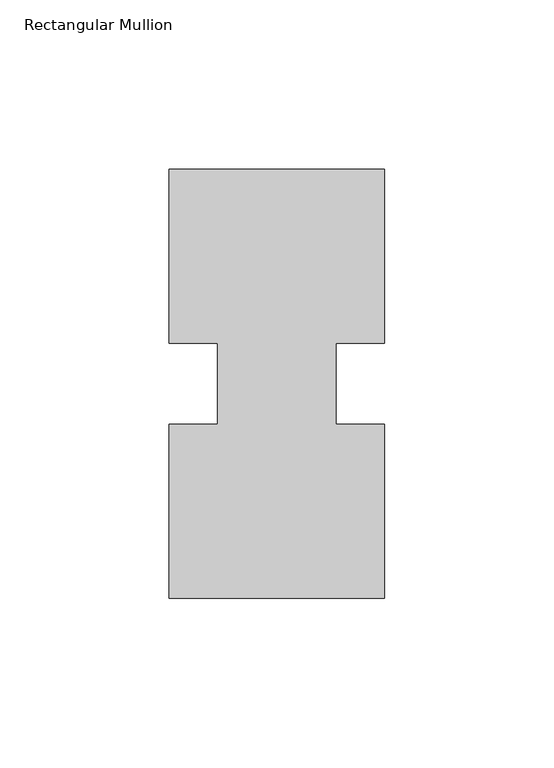
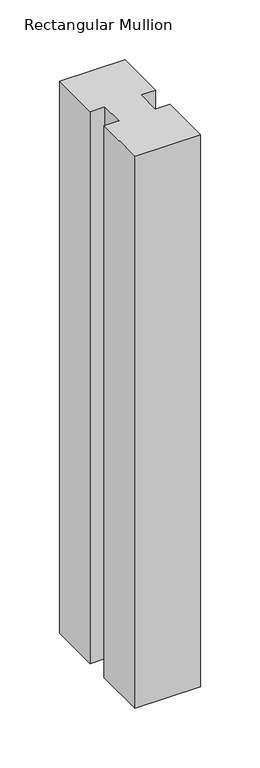
"""IFC4 building model written with IfcOpenShell, lengths in millimetres: member geometry, Rectangular Mullion."""

from ifc_helpers import new_model, si_unit, frame, origin, place, context, project, spatial, polyline, outline, extrude, source, transform, mapped, element, save


def rectangular_mullion_8d083146(model_context):
    return source(origin(), model_context, "Body", "SweptSolid", [
        extrude(outline(polyline([(-63.5, 0.26035), (-63.5, 51.60645), (-49.2125, 51.60645), (-49.2125, 75.40625), (-63.5, 75.40625), (-63.5, 126.75235), (0.0, 126.75235), (0.0, 75.40625), (-14.2748, 75.40625), (-14.2748, 51.60645), (0.0, 51.60645), (0.0, 0.26035), (-63.5, 0.26035)])), frame((0.0, 0.0, -565.1928128), z_axis=(0.0, 0.0, 1.0), x_axis=(1.0, 0.0, 0.0)), (0.0, 0.0, 1.0), 565.1928128),
    ])


if __name__ == "__main__":
    model = new_model("IFC4")
    model_context = context("Model", 3, world=origin())
    ifc_project = project(units=[si_unit("LENGTHUNIT", "METRE", prefix="MILLI")], contexts=[model_context])
    site = spatial("IfcSite", under=ifc_project)
    building = spatial("IfcBuilding", under=site)
    placement = place(None, origin())
    rectangular_mullion_shape = rectangular_mullion_8d083146(model_context)
    element("IfcMember", 1, ObjectType="Rectangular Mullion", at=placement, inside=building, context=model_context, shape_type="MappedRepresentation", body=[
        mapped(rectangular_mullion_shape, transform((0.0, 0.0, 0.0), x_axis=(1.0, 0.0, 0.0), y_axis=(0.0, 1.0, 0.0), z_axis=(0.0, 0.0, 1.0))),
    ])
    save(model, "model.ifc")
